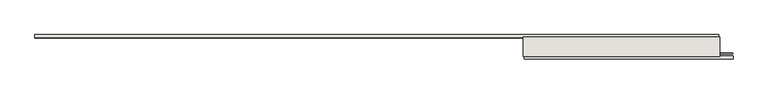
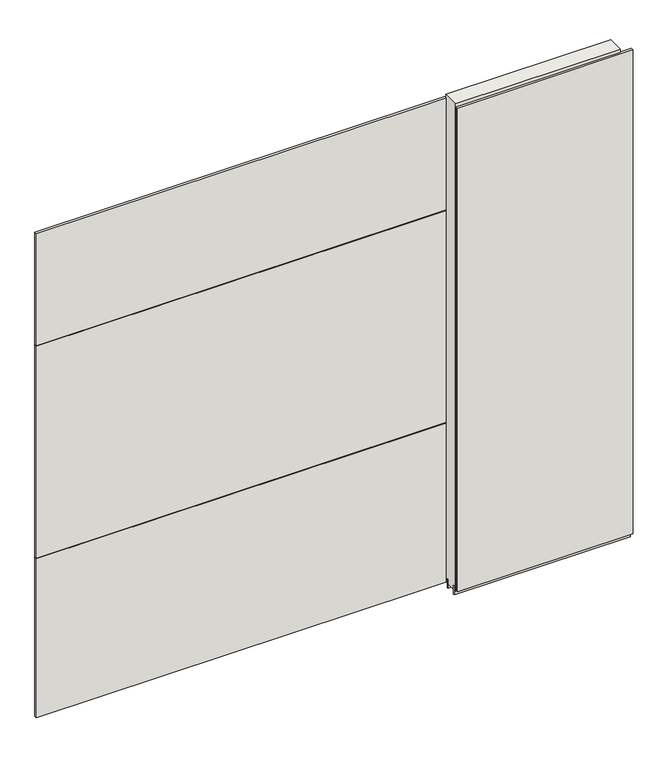
"""IFC4 building model written with IfcOpenShell, lengths in millimetres: wall geometry."""

from ifc_helpers import new_model, si_unit, frame, origin, place, context, project, spatial, polyline, outline, extrude, source, transform, mapped, element, save


def wall_55d3956a(model_context):
    return source(origin(), model_context, "Body", "SweptSolid", [
        extrude(outline(polyline([(69261.968918, -47237.6636398), (69264.508918, -47237.6636398), (69264.508918, -47240.2036398), (69261.968918, -47240.2036398), (69261.968918, -47237.6636398)])), frame((0.0, 0.0, 4419.6), z_axis=(0.0, 0.0, 1.0), x_axis=(1.0, 0.0, 0.0)), (0.0, 0.0, 1.0), 2.54),
        extrude(outline(polyline([(69320.2802568, -47289.7336398), (68447.9802996, -47289.7336398), (68447.9802996, -47277.0336398), (69320.2802568, -47277.0336398), (69320.2802568, -47289.7336398)])), frame((0.0, 0.0, 4445.0), z_axis=(0.0, 0.0, 1.0), x_axis=(1.0, 0.0, 0.0)), (0.0, 0.0, 1.0), 2545.0498756),
        extrude(outline(polyline([(66402.8441308, -47188.1336398), (69260.0441568, -47188.1336398), (69260.0441568, -47200.8336398), (66402.8441308, -47200.8336398), (66402.8441308, -47188.1336398)])), frame((0.0, 0.0, 6402.8000722), z_axis=(0.0, 0.0, 1.0), x_axis=(1.0, 0.0, 0.0)), (0.0, 0.0, 1.0), 587.2498034),
        extrude(outline(polyline([(66402.8441308, -47188.1336398), (69260.0441568, -47188.1336398), (69260.0441568, -47200.8336398), (66402.8441308, -47200.8336398), (66402.8441308, -47188.1336398)])), frame((0.0, 0.0, 5285.2000722), z_axis=(0.0, 0.0, 1.0), x_axis=(1.0, 0.0, 0.0)), (0.0, 0.0, 1.0), 1113.5999572),
        extrude(outline(polyline([(66402.8441308, -47188.1336398), (69260.0441568, -47188.1336398), (69260.0441568, -47200.8336398), (66402.8441308, -47200.8336398), (66402.8441308, -47188.1336398)])), frame((0.0, 0.0, 4445.0), z_axis=(0.0, 0.0, 1.0), x_axis=(1.0, 0.0, 0.0)), (0.0, 0.0, 1.0), 836.200004),
        extrude(outline(polyline([(68443.4998158, -47264.0142856), (69319.7998158, -47264.0142856), (69319.7998158, -47269.0961398), (68443.4998158, -47269.0961398), (68443.4998158, -47264.0142856)])), frame((0.0, 0.0, 4418.6602), z_axis=(0.0, 0.0, 1.0), x_axis=(1.0, 0.0, 0.0)), (0.0, 0.0, 1.0), 47.625),
        extrude(outline(polyline([(68443.4998158, -47264.0142856), (69319.7998158, -47264.0142856), (69319.7998158, -47269.0961398), (68443.4998158, -47269.0961398), (68443.4998158, -47264.0142856)])), frame((0.0, 0.0, 4418.6602), z_axis=(0.0, 0.0, 1.0), x_axis=(1.0, 0.0, 0.0)), (0.0, 0.0, 1.0), 47.625),
        extrude(outline(polyline([(69264.503965, -47213.8498952), (68443.4998158, -47213.8498952), (68443.4998158, -47208.7711398), (69264.503965, -47208.7711398), (69264.503965, -47213.8498952)])), frame((0.0, 0.0, 4418.6602), z_axis=(0.0, 0.0, 1.0), x_axis=(1.0, 0.0, 0.0)), (0.0, 0.0, 1.0), 47.625),
        extrude(outline(polyline([(69264.503965, -47213.8498952), (68443.4998158, -47213.8498952), (68443.4998158, -47208.7711398), (69264.503965, -47208.7711398), (69264.503965, -47213.8498952)])), frame((0.0, 0.0, 4418.6602), z_axis=(0.0, 0.0, 1.0), x_axis=(1.0, 0.0, 0.0)), (0.0, 0.0, 1.0), 47.625),
        extrude(outline(polyline([(68443.4998158, -47279.5854254), (68443.4998158, -47198.30667), (69264.503965, -47198.30667), (69264.503965, -47279.5854254), (68443.4998158, -47279.5854254)])), frame((0.0, 0.0, 4445.0), z_axis=(0.0, 0.0, 1.0), x_axis=(1.0, 0.0, 0.0)), (0.0, 0.0, 1.0), 2562.4536762),
    ])


if __name__ == "__main__":
    model = new_model("IFC4")
    model_context = context("Model", 3, world=origin())
    ifc_project = project(units=[si_unit("LENGTHUNIT", "METRE", prefix="MILLI")], contexts=[model_context])
    site = spatial("IfcSite", under=ifc_project)
    building = spatial("IfcBuilding", under=site)
    placement = place(None, origin())
    wall_shape = wall_55d3956a(model_context)
    element("IfcWall", 1, at=placement, inside=building, context=model_context, shape_type="MappedRepresentation", body=[
        mapped(wall_shape, transform((0.0, 0.0, 0.0), x_axis=(1.0, 0.0, 0.0), y_axis=(0.0, 1.0, 0.0), z_axis=(0.0, 0.0, 1.0))),
    ])
    save(model, "model.ifc")
